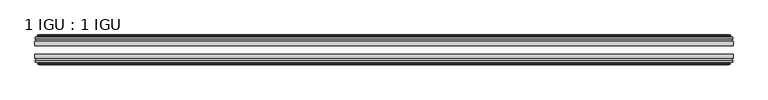
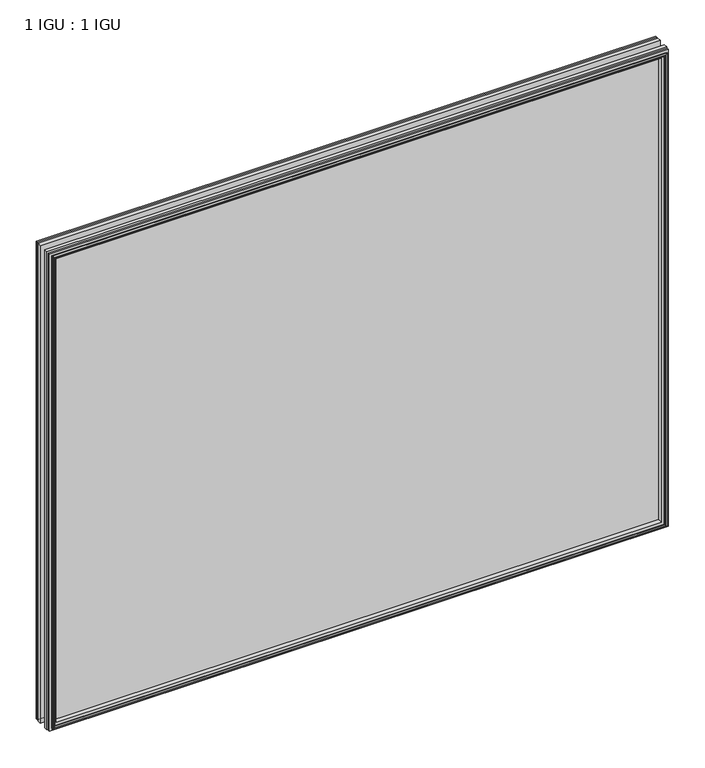
"""IFC4 building model written with IfcOpenShell, lengths in millimetres: plate geometry, 1 IGU : 1 IGU."""

from ifc_helpers import new_model, si_unit, frame, origin, place, context, project, spatial, polyline, outline, extrude, faceted_brep, source, transform, mapped, element, save


def plate_1_igu_1_igu_f0063a41(model_context):
    return source(origin(), model_context, "Body", "SolidModel", [
        extrude(outline(polyline([(529.6630168, -25.8960937), (529.6630168, -32.2460938), (-529.6630168, -32.2460938), (-529.6630168, -25.8960937), (529.6630168, -25.8960937)])), frame((0.0, 0.0, -12.7), z_axis=(0.0, 0.0, 1.0), x_axis=(1.0, 0.0, 0.0)), (0.0, 0.0, 1.0), 863.6),
        extrude(outline(polyline([(-529.6630168, -51.2960938), (-529.6630168, -45.2686737), (529.6630168, -45.2686737), (529.6630168, -51.2960938), (-529.6630168, -51.2960938)])), frame((0.0, 0.0, -12.7), z_axis=(0.0, 0.0, 1.0), x_axis=(1.0, 0.0, 0.0)), (0.0, 0.0, 1.0), 863.6),
        faceted_brep([(-524.0750168, -60.0262907, 845.312), (-524.4560168, -57.6460937, 845.693), (-524.4560168, -57.6460937, -7.493), (-524.0750168, -60.0262907, -7.112), (-525.4905458, -59.5663575, 846.727529), (-525.4905458, -59.5663575, -8.5275291), (-525.4905458, -60.3675717, 846.727529), (-525.4905458, -60.3675717, -8.5275291), (-523.3130168, -61.0750937, 844.55), (-523.3130168, -61.0750937, -6.35), (-521.1354877, -60.3675717, 842.3724709), (-521.1354877, -60.3675717, -4.1724709), (-521.1354877, -59.5663575, 842.3724709), (-521.1354877, -59.5663575, -4.1724709), (-522.5510168, -60.0262907, 843.788), (-522.5510168, -60.0262907, -5.588), (-522.1700168, -57.6460937, 843.407), (-522.1700168, -57.6460937, -5.207), (-515.2452987, -51.2960937, 836.4822819), (-516.9630168, -57.6460937, 838.2), (-516.9630168, -57.6460937, 0.0), (-515.2452987, -51.2960937, 1.7177181), (-528.9010168, -54.6996937, 850.138), (-526.0666746, -51.2960937, 847.3036578), (-526.0666746, -51.2960937, -9.1036578), (-528.9010168, -54.6996937, -11.938), (-528.9010168, -57.6460937, 850.138), (-528.9010168, -57.6460937, -11.938), (524.4560168, -57.6460938, -7.493), (524.0750168, -60.0262907, -7.112), (525.4905458, -59.5663575, -8.5275291), (525.4905458, -60.3675717, -8.5275291), (523.3130168, -61.0750937, -6.35), (521.1354877, -60.3675717, -4.1724709), (521.1354877, -59.5663575, -4.1724709), (522.5510168, -60.0262907, -5.588), (522.1700168, -57.6460937, -5.207), (516.9630168, -57.6460937, 0.0), (515.2452987, -51.2960937, 1.7177181), (526.0666746, -51.2960937, -9.1036578), (528.9010168, -54.6996937, -11.938), (528.9010168, -57.6460938, -11.938), (524.4560168, -57.6460938, 845.693), (524.0750168, -60.0262907, 845.312), (525.4905458, -59.5663575, 846.727529), (525.4905458, -60.3675717, 846.727529), (523.3130168, -61.0750937, 844.55), (521.1354877, -60.3675717, 842.3724709), (521.1354877, -59.5663575, 842.3724709), (522.5510168, -60.0262907, 843.788), (522.1700168, -57.6460937, 843.407), (516.9630168, -57.6460937, 838.2), (515.2452987, -51.2960937, 836.4822819), (526.0666746, -51.2960937, 847.3036578), (528.9010168, -54.6996937, 850.138), (528.9010168, -57.6460938, 850.138)], [[[0, 1, 2, 3]], [[4, 0, 3, 5]], [[6, 4, 5, 7]], [[8, 6, 7, 9]], [[10, 8, 9, 11]], [[12, 10, 11, 13]], [[14, 12, 13, 15]], [[16, 14, 15, 17]], [[18, 19, 20, 21]], [[22, 23, 24, 25]], [[26, 22, 25, 27]], [[3, 2, 28, 29]], [[5, 3, 29, 30]], [[7, 5, 30, 31]], [[9, 7, 31, 32]], [[11, 9, 32, 33]], [[13, 11, 33, 34]], [[15, 13, 34, 35]], [[17, 15, 35, 36]], [[21, 20, 37, 38]], [[25, 24, 39, 40]], [[27, 25, 40, 41]], [[29, 28, 42, 43]], [[30, 29, 43, 44]], [[31, 30, 44, 45]], [[32, 31, 45, 46]], [[33, 32, 46, 47]], [[34, 33, 47, 48]], [[35, 34, 48, 49]], [[36, 35, 49, 50]], [[38, 37, 51, 52]], [[40, 39, 53, 54]], [[41, 40, 54, 55]], [[27, 41, 55, 26], [1, 42, 28, 2]], [[43, 42, 1, 0]], [[44, 43, 0, 4]], [[45, 44, 4, 6]], [[46, 45, 6, 8]], [[47, 46, 8, 10]], [[48, 47, 10, 12]], [[49, 48, 12, 14]], [[50, 49, 14, 16]], [[17, 36, 50, 16], [19, 51, 37, 20]], [[52, 51, 19, 18]], [[23, 53, 39, 24], [21, 38, 52, 18]], [[54, 53, 23, 22]], [[55, 54, 22, 26]]]),
        faceted_brep([(-526.5873746, -25.8960937, 847.8243578), (-529.4217168, -22.4924937, 850.6587), (-529.4217168, -22.4924937, -12.4587), (-526.5873746, -25.8960937, -9.6243578), (-517.4837168, -19.5460937, 838.7207), (-515.7659987, -25.8960937, 837.0029819), (-515.7659987, -25.8960937, 1.1970181), (-517.4837168, -19.5460937, -0.5207), (-523.0717168, -17.1658968, 844.3087), (-522.6907168, -19.5460937, 843.9277), (-522.6907168, -19.5460937, -5.7277), (-523.0717168, -17.1658968, -6.1087), (-521.6561877, -17.62583, 842.8931709), (-521.6561877, -17.62583, -4.6931709), (-521.6561877, -16.8246158, 842.8931709), (-521.6561877, -16.8246158, -4.6931709), (-523.8337168, -16.1170937, 845.0707), (-523.8337168, -16.1170937, -6.8707), (-526.0112458, -16.8246158, 847.248229), (-526.0112458, -16.8246158, -9.0482291), (-526.0112458, -17.62583, 847.248229), (-526.0112458, -17.62583, -9.0482291), (-524.5957168, -17.1658968, 845.8327), (-524.5957168, -17.1658968, -7.6327), (-524.9767168, -19.5460937, 846.2137), (-524.9767168, -19.5460937, -8.0137), (-529.4217168, -19.5460937, 850.6587), (-529.4217168, -19.5460937, -12.4587), (529.4217168, -22.4924937, -12.4587), (526.5873746, -25.8960937, -9.6243578), (515.7659987, -25.8960937, 1.1970181), (517.4837168, -19.5460937, -0.5207), (522.6907168, -19.5460937, -5.7277), (523.0717168, -17.1658968, -6.1087), (521.6561877, -17.62583, -4.6931709), (521.6561877, -16.8246158, -4.6931709), (523.8337168, -16.1170937, -6.8707), (526.0112458, -16.8246158, -9.0482291), (526.0112458, -17.62583, -9.0482291), (524.5957168, -17.1658968, -7.6327), (524.9767168, -19.5460937, -8.0137), (529.4217168, -19.5460937, -12.4587), (529.4217168, -22.4924937, 850.6587), (526.5873746, -25.8960937, 847.8243578), (515.7659987, -25.8960937, 837.0029819), (517.4837168, -19.5460937, 838.7207), (522.6907168, -19.5460937, 843.9277), (523.0717168, -17.1658968, 844.3087), (521.6561877, -17.62583, 842.8931709), (521.6561877, -16.8246158, 842.8931709), (523.8337168, -16.1170937, 845.0707), (526.0112458, -16.8246158, 847.248229), (526.0112458, -17.62583, 847.248229), (524.5957168, -17.1658968, 845.8327), (524.9767168, -19.5460937, 846.2137), (529.4217168, -19.5460937, 850.6587)], [[[0, 1, 2, 3]], [[4, 5, 6, 7]], [[8, 9, 10, 11]], [[12, 8, 11, 13]], [[14, 12, 13, 15]], [[16, 14, 15, 17]], [[18, 16, 17, 19]], [[20, 18, 19, 21]], [[22, 20, 21, 23]], [[24, 22, 23, 25]], [[1, 26, 27, 2]], [[3, 2, 28, 29]], [[7, 6, 30, 31]], [[11, 10, 32, 33]], [[13, 11, 33, 34]], [[15, 13, 34, 35]], [[17, 15, 35, 36]], [[19, 17, 36, 37]], [[21, 19, 37, 38]], [[23, 21, 38, 39]], [[25, 23, 39, 40]], [[2, 27, 41, 28]], [[29, 28, 42, 43]], [[31, 30, 44, 45]], [[33, 32, 46, 47]], [[34, 33, 47, 48]], [[35, 34, 48, 49]], [[36, 35, 49, 50]], [[37, 36, 50, 51]], [[38, 37, 51, 52]], [[39, 38, 52, 53]], [[40, 39, 53, 54]], [[28, 41, 55, 42]], [[43, 42, 1, 0]], [[3, 29, 43, 0], [5, 44, 30, 6]], [[45, 44, 5, 4]], [[9, 46, 32, 10], [7, 31, 45, 4]], [[47, 46, 9, 8]], [[48, 47, 8, 12]], [[49, 48, 12, 14]], [[50, 49, 14, 16]], [[51, 50, 16, 18]], [[52, 51, 18, 20]], [[53, 52, 20, 22]], [[54, 53, 22, 24]], [[26, 55, 41, 27], [25, 40, 54, 24]], [[42, 55, 26, 1]]]),
    ])


if __name__ == "__main__":
    model = new_model("IFC4")
    model_context = context("Model", 3, world=origin())
    ifc_project = project(units=[si_unit("LENGTHUNIT", "METRE", prefix="MILLI")], contexts=[model_context])
    site = spatial("IfcSite", under=ifc_project)
    building = spatial("IfcBuilding", under=site)
    placement = place(None, origin())
    plate_1_igu_1_igu_shape = plate_1_igu_1_igu_f0063a41(model_context)
    element("IfcPlate", 1, ObjectType="1 IGU : 1 IGU", at=placement, inside=building, context=model_context, shape_type="MappedRepresentation", body=[
        mapped(plate_1_igu_1_igu_shape, transform((0.0, 0.0, 0.0), x_axis=(1.0, 0.0, 0.0), y_axis=(0.0, 1.0, 0.0), z_axis=(0.0, 0.0, 1.0))),
    ])
    save(model, "model.ifc")
